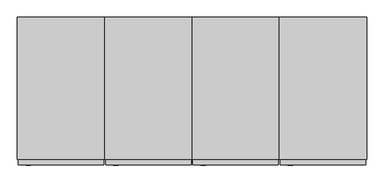
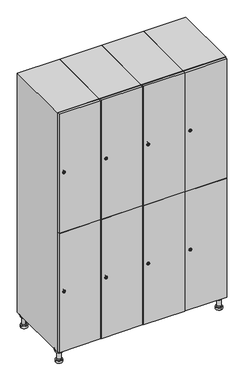
"""IFC4 building model written with IfcOpenShell, lengths in millimetres: furniture geometry."""

from ifc_helpers import new_model, si_unit, point, frame, frame_2d, origin, place, context, project, spatial, polyline, circle_curve, trimmed, segment, composite_curve, outline, extrude, faceted_brep, source, transform, mapped, element, save
from ifc_brep_helpers import plane_surface, cylinder_surface, revolved_surface, advanced_brep


def furniture_91e48fc3(model_context):
    return source(origin(), model_context, "Body", "SolidModel", [
        advanced_brep(
        [(970.0, -201.0, 22.0), (970.0, -201.5, 16.0), (970.0, -228.5, 16.0), (970.0, -229.0, 22.0), (956.0, -215.0, 22.0), (984.0, -215.0, 22.0), (970.0, -192.5, 16.0), (970.0, -237.5, 16.0), (970.0, -192.5, 0.0), (970.0, -237.5, 0.0), (984.0, -215.0, 78.0), (956.0, -215.0, 78.0), (995.0, -215.0, 78.0), (945.0, -215.0, 78.0), (1000.0, -215.0, 94.0), (940.0, -215.0, 94.0), (945.0, -215.0, 94.0), (995.0, -215.0, 94.0), (1000.0, -215.0, 100.0), (940.0, -215.0, 100.0)],
        [
            (0, 1),
            (1, 2, circle_curve(frame((970.0, -215.0, 16.0), z_axis=(0.0, 0.0, 1.0), x_axis=(0.0, -1.0, 0.0)), 13.5)),
            (2, 3),
            (3, 4, circle_curve(frame((970.0, -215.0, 22.0), z_axis=(0.0, 0.0, -1.0), x_axis=(0.0, -1.0, 0.0)), 14.0)),
            (4, 0, circle_curve(frame((970.0, -215.0, 22.0), z_axis=(0.0, 0.0, -1.0), x_axis=(0.0, -1.0, 0.0)), 14.0)),
            (0, 5, circle_curve(frame((970.0, -215.0, 22.0), z_axis=(0.0, 0.0, -1.0), x_axis=(0.0, 1.0, 0.0)), 14.0)),
            (5, 3, circle_curve(frame((970.0, -215.0, 22.0), z_axis=(0.0, 0.0, -1.0), x_axis=(0.0, 1.0, 0.0)), 14.0)),
            (2, 1, circle_curve(frame((970.0, -215.0, 16.0), z_axis=(0.0, 0.0, 1.0), x_axis=(0.0, 1.0, 0.0)), 13.5)),
            (6, 7, circle_curve(frame((970.0, -215.0, 16.0), z_axis=(0.0, 0.0, 1.0), x_axis=(0.0, -1.0, 0.0)), 22.5)),
            (7, 6, circle_curve(frame((970.0, -215.0, 16.0), z_axis=(0.0, 0.0, 1.0), x_axis=(0.0, -1.0, 0.0)), 22.5)),
            (8, 9, circle_curve(frame((970.0, -215.0, 0.0), z_axis=(0.0, 0.0, -1.0), x_axis=(0.0, -1.0, 0.0)), 22.5)),
            (9, 8, circle_curve(frame((970.0, -215.0, 0.0), z_axis=(0.0, 0.0, -1.0), x_axis=(0.0, -1.0, 0.0)), 22.5)),
            (6, 8),
            (9, 7),
            (5, 10),
            (10, 11, circle_curve(frame((970.0, -215.0, 78.0), z_axis=(0.0, 0.0, -1.0), x_axis=(-1.0, 0.0, 0.0)), 14.0)),
            (11, 4),
            (11, 10, circle_curve(frame((970.0, -215.0, 78.0), z_axis=(0.0, 0.0, -1.0), x_axis=(-1.0, 0.0, 0.0)), 14.0)),
            (12, 13, circle_curve(frame((970.0, -215.0, 78.0), z_axis=(0.0, 0.0, -1.0), x_axis=(-1.0, 0.0, 0.0)), 25.0)),
            (13, 12, circle_curve(frame((970.0, -215.0, 78.0), z_axis=(0.0, 0.0, -1.0), x_axis=(-1.0, 0.0, 0.0)), 25.0)),
            (14, 15, circle_curve(frame((970.0, -215.0, 94.0), z_axis=(0.0, 0.0, -1.0), x_axis=(-1.0, 0.0, 0.0)), 30.0)),
            (15, 14, circle_curve(frame((970.0, -215.0, 94.0), z_axis=(0.0, 0.0, -1.0), x_axis=(-1.0, 0.0, 0.0)), 30.0)),
            (16, 17, circle_curve(frame((970.0, -215.0, 94.0), z_axis=(0.0, 0.0, 1.0), x_axis=(-1.0, 0.0, 0.0)), 25.0)),
            (17, 16, circle_curve(frame((970.0, -215.0, 94.0), z_axis=(0.0, 0.0, 1.0), x_axis=(-1.0, 0.0, 0.0)), 25.0)),
            (18, 19, circle_curve(frame((970.0, -215.0, 100.0), z_axis=(0.0, 0.0, 1.0), x_axis=(-1.0, 0.0, 0.0)), 30.0)),
            (19, 18, circle_curve(frame((970.0, -215.0, 100.0), z_axis=(0.0, 0.0, 1.0), x_axis=(-1.0, 0.0, 0.0)), 30.0)),
            (14, 18),
            (19, 15),
            (12, 17),
            (16, 13),
        ],
        [
            revolved_surface(polyline([(970.0, -201.5, 16.0), (970.0, -201.0, 22.0)]), (970.0, -215.0, -146.0), (0.0, 0.0, 1.0)),
            plane_surface(frame((970.0, 0.0, 16.0), z_axis=(0.0, 0.0, 1.0), x_axis=(0.0, -1.0, 0.0))),
            plane_surface(frame((970.0, 0.0, 0.0), z_axis=(0.0, 0.0, -1.0), x_axis=(0.0, -1.0, 0.0))),
            cylinder_surface(frame((970.0, -215.0, 16.0), z_axis=(0.0, 0.0, 1.0), x_axis=(0.0, -1.0, 0.0)), 22.5),
            cylinder_surface(frame((970.0, -215.0, 22.0), z_axis=(0.0, 0.0, -1.0), x_axis=(-1.0, 0.0, 0.0)), 14.0),
            plane_surface(frame((970.0, 0.0, 78.0), z_axis=(0.0, 0.0, -1.0), x_axis=(0.0, -1.0, 0.0))),
            plane_surface(frame((970.0, 0.0, 94.0), z_axis=(0.0, 0.0, -1.0), x_axis=(0.0, -1.0, 0.0))),
            plane_surface(frame((970.0, 0.0, 100.0), z_axis=(0.0, 0.0, 1.0), x_axis=(0.0, -1.0, 0.0))),
            cylinder_surface(frame((970.0, -215.0, 94.0), z_axis=(0.0, 0.0, -1.0), x_axis=(-1.0, 0.0, 0.0)), 30.0),
            cylinder_surface(frame((970.0, -215.0, 78.0), z_axis=(0.0, 0.0, -1.0), x_axis=(-1.0, 0.0, 0.0)), 25.0),
        ],
        [
            (0, [[1, 2, 3, 4, 5]]),
            (0, [[-1, 6, 7, -3, 8]]),
            (1, [[9, 10], [-2, -8]]),
            (2, [[11, 12]]),
            (3, [[-9, 13, -12, 14]]),
            (3, [[-10, -14, -11, -13]]),
            (4, [[15, 16, 17, -4, -7]]),
            (4, [[-15, -6, -5, -17, 18]]),
            (5, [[19, 20], [-16, -18]]),
            (6, [[21, 22], [23, 24]]),
            (7, [[25, 26]]),
            (8, [[-21, 27, -26, 28]]),
            (8, [[-22, -28, -25, -27]]),
            (9, [[-19, 29, -23, 30]]),
            (9, [[-20, -30, -24, -29]]),
        ],
    ),
        advanced_brep(
        [(-170.0, -201.0, 22.0), (-170.0, -201.5, 16.0), (-170.0, -228.5, 16.0), (-170.0, -229.0, 22.0), (-184.0, -215.0, 22.0), (-156.0, -215.0, 22.0), (-147.5, -215.0, 0.0), (-192.5, -215.0, 0.0), (-147.5, -215.0, 16.0), (-192.5, -215.0, 16.0), (-156.0, -215.0, 78.0), (-184.0, -215.0, 78.0), (-145.0, -215.0, 78.0), (-195.0, -215.0, 78.0), (-140.0, -215.0, 94.0), (-200.0, -215.0, 94.0), (-195.0, -215.0, 94.0), (-145.0, -215.0, 94.0), (-140.0, -215.0, 100.0), (-200.0, -215.0, 100.0)],
        [
            (0, 1),
            (1, 2, circle_curve(frame((-170.0, -215.0, 16.0), z_axis=(0.0, 0.0, 1.0), x_axis=(0.0, -1.0, 0.0)), 13.5)),
            (2, 3),
            (3, 4, circle_curve(frame((-170.0, -215.0, 22.0), z_axis=(0.0, 0.0, -1.0), x_axis=(0.0, -1.0, 0.0)), 14.0)),
            (4, 0, circle_curve(frame((-170.0, -215.0, 22.0), z_axis=(0.0, 0.0, -1.0), x_axis=(0.0, -1.0, 0.0)), 14.0)),
            (0, 5, circle_curve(frame((-170.0, -215.0, 22.0), z_axis=(0.0, 0.0, -1.0), x_axis=(0.0, 1.0, 0.0)), 14.0)),
            (5, 3, circle_curve(frame((-170.0, -215.0, 22.0), z_axis=(0.0, 0.0, -1.0), x_axis=(0.0, 1.0, 0.0)), 14.0)),
            (2, 1, circle_curve(frame((-170.0, -215.0, 16.0), z_axis=(0.0, 0.0, 1.0), x_axis=(0.0, 1.0, 0.0)), 13.5)),
            (6, 7, circle_curve(frame((-170.0, -215.0, 0.0), z_axis=(0.0, 0.0, -1.0), x_axis=(-1.0, 0.0, 0.0)), 22.5)),
            (7, 6, circle_curve(frame((-170.0, -215.0, 0.0), z_axis=(0.0, 0.0, -1.0), x_axis=(-1.0, 0.0, 0.0)), 22.5)),
            (8, 9, circle_curve(frame((-170.0, -215.0, 16.0), z_axis=(0.0, 0.0, 1.0), x_axis=(-1.0, 0.0, 0.0)), 22.5)),
            (9, 8, circle_curve(frame((-170.0, -215.0, 16.0), z_axis=(0.0, 0.0, 1.0), x_axis=(-1.0, 0.0, 0.0)), 22.5)),
            (6, 8),
            (9, 7),
            (5, 10),
            (10, 11, circle_curve(frame((-170.0, -215.0, 78.0), z_axis=(0.0, 0.0, -1.0), x_axis=(-1.0, 0.0, 0.0)), 14.0)),
            (11, 4),
            (11, 10, circle_curve(frame((-170.0, -215.0, 78.0), z_axis=(0.0, 0.0, -1.0), x_axis=(-1.0, 0.0, 0.0)), 14.0)),
            (12, 13, circle_curve(frame((-170.0, -215.0, 78.0), z_axis=(0.0, 0.0, -1.0), x_axis=(-1.0, 0.0, 0.0)), 25.0)),
            (13, 12, circle_curve(frame((-170.0, -215.0, 78.0), z_axis=(0.0, 0.0, -1.0), x_axis=(-1.0, 0.0, 0.0)), 25.0)),
            (14, 15, circle_curve(frame((-170.0, -215.0, 94.0), z_axis=(0.0, 0.0, -1.0), x_axis=(-1.0, 0.0, 0.0)), 30.0)),
            (15, 14, circle_curve(frame((-170.0, -215.0, 94.0), z_axis=(0.0, 0.0, -1.0), x_axis=(-1.0, 0.0, 0.0)), 30.0)),
            (16, 17, circle_curve(frame((-170.0, -215.0, 94.0), z_axis=(0.0, 0.0, 1.0), x_axis=(-1.0, 0.0, 0.0)), 25.0)),
            (17, 16, circle_curve(frame((-170.0, -215.0, 94.0), z_axis=(0.0, 0.0, 1.0), x_axis=(-1.0, 0.0, 0.0)), 25.0)),
            (18, 19, circle_curve(frame((-170.0, -215.0, 100.0), z_axis=(0.0, 0.0, 1.0), x_axis=(-1.0, 0.0, 0.0)), 30.0)),
            (19, 18, circle_curve(frame((-170.0, -215.0, 100.0), z_axis=(0.0, 0.0, 1.0), x_axis=(-1.0, 0.0, 0.0)), 30.0)),
            (14, 18),
            (19, 15),
            (12, 17),
            (16, 13),
        ],
        [
            revolved_surface(polyline([(-170.0, -201.5, 16.0), (-170.0, -201.0, 22.0)]), (-170.0, -215.0, -146.0), (0.0, 0.0, 1.0)),
            plane_surface(frame((-170.0, 0.0, 0.0), z_axis=(0.0, 0.0, -1.0), x_axis=(0.0, -1.0, 0.0))),
            plane_surface(frame((-170.0, 0.0, 16.0), z_axis=(0.0, 0.0, 1.0), x_axis=(0.0, -1.0, 0.0))),
            cylinder_surface(frame((-170.0, -215.0, 0.0), z_axis=(0.0, 0.0, -1.0), x_axis=(-1.0, 0.0, 0.0)), 22.5),
            cylinder_surface(frame((-170.0, -215.0, 22.0), z_axis=(0.0, 0.0, -1.0), x_axis=(-1.0, 0.0, 0.0)), 14.0),
            plane_surface(frame((-170.0, 0.0, 78.0), z_axis=(0.0, 0.0, -1.0), x_axis=(0.0, -1.0, 0.0))),
            plane_surface(frame((-170.0, 0.0, 94.0), z_axis=(0.0, 0.0, -1.0), x_axis=(0.0, -1.0, 0.0))),
            plane_surface(frame((-170.0, 0.0, 100.0), z_axis=(0.0, 0.0, 1.0), x_axis=(0.0, -1.0, 0.0))),
            cylinder_surface(frame((-170.0, -215.0, 94.0), z_axis=(0.0, 0.0, -1.0), x_axis=(-1.0, 0.0, 0.0)), 30.0),
            cylinder_surface(frame((-170.0, -215.0, 78.0), z_axis=(0.0, 0.0, -1.0), x_axis=(-1.0, 0.0, 0.0)), 25.0),
        ],
        [
            (0, [[1, 2, 3, 4, 5]]),
            (0, [[-1, 6, 7, -3, 8]]),
            (1, [[9, 10]]),
            (2, [[11, 12], [-2, -8]]),
            (3, [[-9, 13, -12, 14]]),
            (3, [[-10, -14, -11, -13]]),
            (4, [[15, 16, 17, -4, -7]]),
            (4, [[-15, -6, -5, -17, 18]]),
            (5, [[19, 20], [-16, -18]]),
            (6, [[21, 22], [23, 24]]),
            (7, [[25, 26]]),
            (8, [[-21, 27, -26, 28]]),
            (8, [[-22, -28, -25, -27]]),
            (9, [[-19, 29, -23, 30]]),
            (9, [[-20, -30, -24, -29]]),
        ],
    ),
        advanced_brep(
        [(983.5, 215.0, 16.0), (984.0, 215.0, 22.0), (956.0, 215.0, 22.0), (956.5, 215.0, 16.0), (992.5, 215.0, 0.0), (947.5, 215.0, 0.0), (992.5, 215.0, 16.0), (947.5, 215.0, 16.0), (984.0, 215.0, 78.0), (956.0, 215.0, 78.0), (995.0, 215.0, 78.0), (945.0, 215.0, 78.0), (1000.0, 215.0, 94.0), (940.0, 215.0, 94.0), (945.0, 215.0, 94.0), (995.0, 215.0, 94.0), (1000.0, 215.0, 100.0), (940.0, 215.0, 100.0)],
        [
            (0, 1),
            (1, 2, circle_curve(frame((970.0, 215.0, 22.0), z_axis=(0.0, 0.0, -1.0), x_axis=(-1.0, 0.0, 0.0)), 14.0)),
            (2, 3),
            (3, 0, circle_curve(frame((970.0, 215.0, 16.0), z_axis=(0.0, 0.0, 1.0), x_axis=(-1.0, 0.0, 0.0)), 13.5)),
            (0, 3, circle_curve(frame((970.0, 215.0, 16.0), z_axis=(0.0, 0.0, 1.0), x_axis=(1.0, 0.0, 0.0)), 13.5)),
            (2, 1, circle_curve(frame((970.0, 215.0, 22.0), z_axis=(0.0, 0.0, -1.0), x_axis=(1.0, 0.0, 0.0)), 14.0)),
            (4, 5, circle_curve(frame((970.0, 215.0, 0.0), z_axis=(0.0, 0.0, -1.0), x_axis=(-1.0, 0.0, 0.0)), 22.5)),
            (5, 4, circle_curve(frame((970.0, 215.0, 0.0), z_axis=(0.0, 0.0, -1.0), x_axis=(-1.0, 0.0, 0.0)), 22.5)),
            (6, 7, circle_curve(frame((970.0, 215.0, 16.0), z_axis=(0.0, 0.0, 1.0), x_axis=(-1.0, 0.0, 0.0)), 22.5)),
            (7, 6, circle_curve(frame((970.0, 215.0, 16.0), z_axis=(0.0, 0.0, 1.0), x_axis=(-1.0, 0.0, 0.0)), 22.5)),
            (4, 6),
            (7, 5),
            (1, 8),
            (8, 9, circle_curve(frame((970.0, 215.0, 78.0), z_axis=(0.0, 0.0, -1.0), x_axis=(-1.0, 0.0, 0.0)), 14.0)),
            (9, 2),
            (9, 8, circle_curve(frame((970.0, 215.0, 78.0), z_axis=(0.0, 0.0, -1.0), x_axis=(-1.0, 0.0, 0.0)), 14.0)),
            (10, 11, circle_curve(frame((970.0, 215.0, 78.0), z_axis=(0.0, 0.0, -1.0), x_axis=(-1.0, 0.0, 0.0)), 25.0)),
            (11, 10, circle_curve(frame((970.0, 215.0, 78.0), z_axis=(0.0, 0.0, -1.0), x_axis=(-1.0, 0.0, 0.0)), 25.0)),
            (12, 13, circle_curve(frame((970.0, 215.0, 94.0), z_axis=(0.0, 0.0, -1.0), x_axis=(-1.0, 0.0, 0.0)), 30.0)),
            (13, 12, circle_curve(frame((970.0, 215.0, 94.0), z_axis=(0.0, 0.0, -1.0), x_axis=(-1.0, 0.0, 0.0)), 30.0)),
            (14, 15, circle_curve(frame((970.0, 215.0, 94.0), z_axis=(0.0, 0.0, 1.0), x_axis=(-1.0, 0.0, 0.0)), 25.0)),
            (15, 14, circle_curve(frame((970.0, 215.0, 94.0), z_axis=(0.0, 0.0, 1.0), x_axis=(-1.0, 0.0, 0.0)), 25.0)),
            (16, 17, circle_curve(frame((970.0, 215.0, 100.0), z_axis=(0.0, 0.0, 1.0), x_axis=(-1.0, 0.0, 0.0)), 30.0)),
            (17, 16, circle_curve(frame((970.0, 215.0, 100.0), z_axis=(0.0, 0.0, 1.0), x_axis=(-1.0, 0.0, 0.0)), 30.0)),
            (12, 16),
            (17, 13),
            (10, 15),
            (14, 11),
        ],
        [
            revolved_surface(polyline([(983.5, 215.0, 16.0), (984.0, 215.0, 22.0)]), (970.0, 215.0, -146.0), (0.0, 0.0, 1.0)),
            plane_surface(frame((970.0, 0.0, 0.0), z_axis=(0.0, 0.0, -1.0), x_axis=(0.0, -1.0, 0.0))),
            plane_surface(frame((970.0, 0.0, 16.0), z_axis=(0.0, 0.0, 1.0), x_axis=(0.0, -1.0, 0.0))),
            cylinder_surface(frame((970.0, 215.0, 0.0), z_axis=(0.0, 0.0, -1.0), x_axis=(-1.0, 0.0, 0.0)), 22.5),
            cylinder_surface(frame((970.0, 215.0, 22.0), z_axis=(0.0, 0.0, -1.0), x_axis=(-1.0, 0.0, 0.0)), 14.0),
            plane_surface(frame((970.0, 0.0, 78.0), z_axis=(0.0, 0.0, -1.0), x_axis=(0.0, -1.0, 0.0))),
            plane_surface(frame((970.0, 0.0, 94.0), z_axis=(0.0, 0.0, -1.0), x_axis=(0.0, -1.0, 0.0))),
            plane_surface(frame((970.0, 0.0, 100.0), z_axis=(0.0, 0.0, 1.0), x_axis=(0.0, -1.0, 0.0))),
            cylinder_surface(frame((970.0, 215.0, 94.0), z_axis=(0.0, 0.0, -1.0), x_axis=(-1.0, 0.0, 0.0)), 30.0),
            cylinder_surface(frame((970.0, 215.0, 78.0), z_axis=(0.0, 0.0, -1.0), x_axis=(-1.0, 0.0, 0.0)), 25.0),
        ],
        [
            (0, [[1, 2, 3, 4]]),
            (0, [[-1, 5, -3, 6]]),
            (1, [[7, 8]]),
            (2, [[9, 10], [-4, -5]]),
            (3, [[-7, 11, -10, 12]]),
            (3, [[-8, -12, -9, -11]]),
            (4, [[13, 14, 15, -2]]),
            (4, [[-13, -6, -15, 16]]),
            (5, [[17, 18], [-14, -16]]),
            (6, [[19, 20], [21, 22]]),
            (7, [[23, 24]]),
            (8, [[-19, 25, -24, 26]]),
            (8, [[-20, -26, -23, -25]]),
            (9, [[-17, 27, -21, 28]]),
            (9, [[-18, -28, -22, -27]]),
        ],
    ),
        advanced_brep(
        [(-156.5, 215.0, 16.0), (-156.0, 215.0, 22.0), (-170.0, 201.0, 22.0), (-184.0, 215.0, 22.0), (-183.5, 215.0, 16.0), (-170.0, 229.0, 22.0), (-147.5, 215.0, 0.0), (-192.5, 215.0, 0.0), (-147.5, 215.0, 16.0), (-192.5, 215.0, 16.0), (-170.0, 229.0, 78.0), (-170.0, 201.0, 78.0), (-145.0, 215.0, 78.0), (-195.0, 215.0, 78.0), (-140.0, 215.0, 94.0), (-200.0, 215.0, 94.0), (-195.0, 215.0, 94.0), (-145.0, 215.0, 94.0), (-140.0, 215.0, 100.0), (-200.0, 215.0, 100.0)],
        [
            (0, 1),
            (1, 2, circle_curve(frame((-170.0, 215.0, 22.0), z_axis=(0.0, 0.0, -1.0), x_axis=(-1.0, 0.0, 0.0)), 14.0)),
            (2, 3, circle_curve(frame((-170.0, 215.0, 22.0), z_axis=(0.0, 0.0, -1.0), x_axis=(-1.0, 0.0, 0.0)), 14.0)),
            (3, 4),
            (4, 0, circle_curve(frame((-170.0, 215.0, 16.0), z_axis=(0.0, 0.0, 1.0), x_axis=(-1.0, 0.0, 0.0)), 13.5)),
            (0, 4, circle_curve(frame((-170.0, 215.0, 16.0), z_axis=(0.0, 0.0, 1.0), x_axis=(1.0, 0.0, 0.0)), 13.5)),
            (3, 5, circle_curve(frame((-170.0, 215.0, 22.0), z_axis=(0.0, 0.0, -1.0), x_axis=(1.0, 0.0, 0.0)), 14.0)),
            (5, 1, circle_curve(frame((-170.0, 215.0, 22.0), z_axis=(0.0, 0.0, -1.0), x_axis=(1.0, 0.0, 0.0)), 14.0)),
            (6, 7, circle_curve(frame((-170.0, 215.0, 0.0), z_axis=(0.0, 0.0, -1.0), x_axis=(-1.0, 0.0, 0.0)), 22.5)),
            (7, 6, circle_curve(frame((-170.0, 215.0, 0.0), z_axis=(0.0, 0.0, -1.0), x_axis=(-1.0, 0.0, 0.0)), 22.5)),
            (8, 9, circle_curve(frame((-170.0, 215.0, 16.0), z_axis=(0.0, 0.0, 1.0), x_axis=(-1.0, 0.0, 0.0)), 22.5)),
            (9, 8, circle_curve(frame((-170.0, 215.0, 16.0), z_axis=(0.0, 0.0, 1.0), x_axis=(-1.0, 0.0, 0.0)), 22.5)),
            (6, 8),
            (9, 7),
            (10, 5),
            (2, 11),
            (11, 10, circle_curve(frame((-170.0, 215.0, 78.0), z_axis=(0.0, 0.0, -1.0), x_axis=(0.0, -1.0, 0.0)), 14.0)),
            (10, 11, circle_curve(frame((-170.0, 215.0, 78.0), z_axis=(0.0, 0.0, -1.0), x_axis=(0.0, -1.0, 0.0)), 14.0)),
            (12, 13, circle_curve(frame((-170.0, 215.0, 78.0), z_axis=(0.0, 0.0, -1.0), x_axis=(-1.0, 0.0, 0.0)), 25.0)),
            (13, 12, circle_curve(frame((-170.0, 215.0, 78.0), z_axis=(0.0, 0.0, -1.0), x_axis=(-1.0, 0.0, 0.0)), 25.0)),
            (14, 15, circle_curve(frame((-170.0, 215.0, 94.0), z_axis=(0.0, 0.0, -1.0), x_axis=(-1.0, 0.0, 0.0)), 30.0)),
            (15, 14, circle_curve(frame((-170.0, 215.0, 94.0), z_axis=(0.0, 0.0, -1.0), x_axis=(-1.0, 0.0, 0.0)), 30.0)),
            (16, 17, circle_curve(frame((-170.0, 215.0, 94.0), z_axis=(0.0, 0.0, 1.0), x_axis=(-1.0, 0.0, 0.0)), 25.0)),
            (17, 16, circle_curve(frame((-170.0, 215.0, 94.0), z_axis=(0.0, 0.0, 1.0), x_axis=(-1.0, 0.0, 0.0)), 25.0)),
            (18, 19, circle_curve(frame((-170.0, 215.0, 100.0), z_axis=(0.0, 0.0, 1.0), x_axis=(-1.0, 0.0, 0.0)), 30.0)),
            (19, 18, circle_curve(frame((-170.0, 215.0, 100.0), z_axis=(0.0, 0.0, 1.0), x_axis=(-1.0, 0.0, 0.0)), 30.0)),
            (14, 18),
            (19, 15),
            (12, 17),
            (16, 13),
        ],
        [
            revolved_surface(polyline([(-156.5, 215.0, 16.0), (-156.0, 215.0, 22.0)]), (-170.0, 215.0, -146.0), (0.0, 0.0, 1.0)),
            plane_surface(frame((-170.0, 0.0, 0.0), z_axis=(0.0, 0.0, -1.0), x_axis=(0.0, -1.0, 0.0))),
            plane_surface(frame((-170.0, 0.0, 16.0), z_axis=(0.0, 0.0, 1.0), x_axis=(0.0, -1.0, 0.0))),
            cylinder_surface(frame((-170.0, 215.0, 0.0), z_axis=(0.0, 0.0, -1.0), x_axis=(-1.0, 0.0, 0.0)), 22.5),
            cylinder_surface(frame((-170.0, 215.0, 78.0), z_axis=(0.0, 0.0, 1.0), x_axis=(0.0, -1.0, 0.0)), 14.0),
            plane_surface(frame((-170.0, 0.0, 78.0), z_axis=(0.0, 0.0, -1.0), x_axis=(0.0, -1.0, 0.0))),
            plane_surface(frame((-170.0, 0.0, 94.0), z_axis=(0.0, 0.0, -1.0), x_axis=(0.0, -1.0, 0.0))),
            plane_surface(frame((-170.0, 0.0, 100.0), z_axis=(0.0, 0.0, 1.0), x_axis=(0.0, -1.0, 0.0))),
            cylinder_surface(frame((-170.0, 215.0, 94.0), z_axis=(0.0, 0.0, -1.0), x_axis=(-1.0, 0.0, 0.0)), 30.0),
            cylinder_surface(frame((-170.0, 215.0, 78.0), z_axis=(0.0, 0.0, -1.0), x_axis=(-1.0, 0.0, 0.0)), 25.0),
        ],
        [
            (0, [[1, 2, 3, 4, 5]]),
            (0, [[-1, 6, -4, 7, 8]]),
            (1, [[9, 10]]),
            (2, [[11, 12], [-5, -6]]),
            (3, [[-9, 13, -12, 14]]),
            (3, [[-10, -14, -11, -13]]),
            (4, [[15, -7, -3, 16, 17]]),
            (4, [[-15, 18, -16, -2, -8]]),
            (5, [[19, 20], [-17, -18]]),
            (6, [[21, 22], [23, 24]]),
            (7, [[25, 26]]),
            (8, [[-21, 27, -26, 28]]),
            (8, [[-22, -28, -25, -27]]),
            (9, [[-19, 29, -23, 30]]),
            (9, [[-20, -30, -24, -29]]),
        ],
    ),
        extrude(outline(composite_curve([segment(trimmed(circle_curve(frame_2d((551.5, 711.2010534)), 7.0), [point((558.5, 711.2010534))], [point((544.5, 711.2010534))], False, "CARTESIAN"), True, "CONTINUOUS"), segment(polyline([(544.5, 711.2010534), (544.5, 739.2010534)]), True, "CONTINUOUS"), segment(trimmed(circle_curve(frame_2d((551.5, 739.2010534)), 7.0), [point((544.5, 739.2010534))], [point((558.5, 739.2010534))], False, "CARTESIAN"), True, "CONTINUOUS"), segment(polyline([(558.5, 739.2010534), (558.5, 711.2010534)]), True, "CONTINUOUS")], self_intersect=False)), frame((0.0, -245.0, 0.0), z_axis=(0.0, 1.0, 0.0), x_axis=(0.0, 0.0, 1.0)), (0.0, 0.0, 1.0), 2.0),
        advanced_brep(
        [(746.5, -265.2, 551.5), (729.5, -265.2, 551.5), (733.0, -265.2, 550.25), (733.0, -265.2, 552.75), (743.0, -265.2, 552.75), (743.0, -265.2, 550.25), (748.5, -263.0, 551.5), (727.5, -263.0, 551.5), (733.0, -263.0, 552.75), (733.0, -263.0, 550.25), (743.0, -263.0, 550.25), (743.0, -263.0, 552.75)],
        [
            (0, 1, circle_curve(frame((738.0, -265.2, 551.5), z_axis=(0.0, -1.0, 0.0), x_axis=(1.0, 0.0, 0.0)), 8.5)),
            (1, 0, circle_curve(frame((738.0, -265.2, 551.5), z_axis=(0.0, -1.0, 0.0), x_axis=(-1.0, 0.0, 0.0)), 8.5)),
            (2, 3),
            (3, 4),
            (4, 5),
            (5, 2),
            (6, 7, circle_curve(frame((738.0, -263.0, 551.5), z_axis=(0.0, 1.0, 0.0), x_axis=(-1.0, 0.0, 0.0)), 10.5)),
            (7, 6, circle_curve(frame((738.0, -263.0, 551.5), z_axis=(0.0, 1.0, 0.0), x_axis=(1.0, 0.0, 0.0)), 10.5)),
            (8, 9),
            (9, 10),
            (10, 11),
            (11, 8),
            (0, 6),
            (7, 1),
            (8, 3),
            (2, 9),
            (11, 4),
            (10, 5),
        ],
        [
            plane_surface(frame((738.0, -265.2, 551.5), z_axis=(0.0, -1.0, 0.0), x_axis=(0.0, 0.0, 1.0))),
            plane_surface(frame((738.0, -263.0, 551.5), z_axis=(0.0, 1.0, 0.0), x_axis=(0.0, 0.0, 1.0))),
            revolved_surface(polyline([(746.5, -265.2, 551.5), (748.5, -263.0, 551.5)]), (738.0, -274.55, 551.5), (0.0, 1.0, 0.0)),
            revolved_surface(polyline([(729.5, -265.2, 551.5), (727.5, -263.0, 551.5)]), (738.0, -274.55, 551.5), (0.0, 1.0, 0.0)),
            plane_surface(frame((733.0, -263.0, 550.25), z_axis=(1.0, 0.0, 0.0), x_axis=(0.0, -1.0, 0.0))),
            plane_surface(frame((733.0, -263.0, 552.75), z_axis=(0.0, 0.0, -1.0), x_axis=(0.0, -1.0, 0.0))),
            plane_surface(frame((743.0, -263.0, 552.75), z_axis=(-1.0, 0.0, 0.0), x_axis=(0.0, -1.0, 0.0))),
            plane_surface(frame((743.0, -263.0, 550.25), z_axis=(0.0, 0.0, 1.0), x_axis=(0.0, -1.0, 0.0))),
        ],
        [
            (0, [[1, 2], [3, 4, 5, 6]]),
            (1, [[7, 8], [9, 10, 11, 12]]),
            (2, [[-1, 13, -8, 14]]),
            (3, [[-2, -14, -7, -13]]),
            (4, [[15, -3, 16, -9]]),
            (5, [[-15, -12, 17, -4]]),
            (6, [[-17, -11, 18, -5]]),
            (7, [[-16, -6, -18, -10]]),
        ],
    ),
        extrude(outline(composite_curve([segment(trimmed(circle_curve(frame_2d((1448.5, 711.2010534)), 7.0), [point((1455.5, 711.2010534))], [point((1441.5, 711.2010534))], False, "CARTESIAN"), True, "CONTINUOUS"), segment(polyline([(1441.5, 711.2010534), (1441.5, 739.2010534)]), True, "CONTINUOUS"), segment(trimmed(circle_curve(frame_2d((1448.5, 739.2010534)), 7.0), [point((1441.5, 739.2010534))], [point((1455.5, 739.2010534))], False, "CARTESIAN"), True, "CONTINUOUS"), segment(polyline([(1455.5, 739.2010534), (1455.5, 711.2010534)]), True, "CONTINUOUS")], self_intersect=False)), frame((0.0, -245.0, 0.0), z_axis=(0.0, 1.0, 0.0), x_axis=(0.0, 0.0, 1.0)), (0.0, 0.0, 1.0), 2.0),
        advanced_brep(
        [(746.5, -265.2, 1448.5), (729.5, -265.2, 1448.5), (733.0, -265.2, 1447.25), (733.0, -265.2, 1449.75), (743.0, -265.2, 1449.75), (743.0, -265.2, 1447.25), (748.5, -263.0, 1448.5), (727.5, -263.0, 1448.5), (733.0, -263.0, 1449.75), (733.0, -263.0, 1447.25), (743.0, -263.0, 1447.25), (743.0, -263.0, 1449.75)],
        [
            (0, 1, circle_curve(frame((738.0, -265.2, 1448.5), z_axis=(0.0, -1.0, 0.0), x_axis=(1.0, 0.0, 0.0)), 8.5)),
            (1, 0, circle_curve(frame((738.0, -265.2, 1448.5), z_axis=(0.0, -1.0, 0.0), x_axis=(-1.0, 0.0, 0.0)), 8.5)),
            (2, 3),
            (3, 4),
            (4, 5),
            (5, 2),
            (6, 7, circle_curve(frame((738.0, -263.0, 1448.5), z_axis=(0.0, 1.0, 0.0), x_axis=(-1.0, 0.0, 0.0)), 10.5)),
            (7, 6, circle_curve(frame((738.0, -263.0, 1448.5), z_axis=(0.0, 1.0, 0.0), x_axis=(1.0, 0.0, 0.0)), 10.5)),
            (8, 9),
            (9, 10),
            (10, 11),
            (11, 8),
            (0, 6),
            (7, 1),
            (8, 3),
            (2, 9),
            (11, 4),
            (10, 5),
        ],
        [
            plane_surface(frame((738.0, -265.2, 1448.5), z_axis=(0.0, -1.0, 0.0), x_axis=(0.0, 0.0, 1.0))),
            plane_surface(frame((738.0, -263.0, 1448.5), z_axis=(0.0, 1.0, 0.0), x_axis=(0.0, 0.0, 1.0))),
            revolved_surface(polyline([(746.5, -265.2, 1448.5), (748.5, -263.0, 1448.5)]), (738.0, -274.55, 1448.5), (0.0, 1.0, 0.0)),
            revolved_surface(polyline([(729.5, -265.2, 1448.5), (727.5, -263.0, 1448.5)]), (738.0, -274.55, 1448.5), (0.0, 1.0, 0.0)),
            plane_surface(frame((733.0, -263.0, 1447.25), z_axis=(1.0, 0.0, 0.0), x_axis=(0.0, -1.0, 0.0))),
            plane_surface(frame((733.0, -263.0, 1449.75), z_axis=(0.0, 0.0, -1.0), x_axis=(0.0, -1.0, 0.0))),
            plane_surface(frame((743.0, -263.0, 1449.75), z_axis=(-1.0, 0.0, 0.0), x_axis=(0.0, -1.0, 0.0))),
            plane_surface(frame((743.0, -263.0, 1447.25), z_axis=(0.0, 0.0, 1.0), x_axis=(0.0, -1.0, 0.0))),
        ],
        [
            (0, [[1, 2], [3, 4, 5, 6]]),
            (1, [[7, 8], [9, 10, 11, 12]]),
            (2, [[-1, 13, -8, 14]]),
            (3, [[-2, -14, -7, -13]]),
            (4, [[15, -3, 16, -9]]),
            (5, [[-15, -12, 17, -4]]),
            (6, [[-17, -11, 18, -5]]),
            (7, [[-16, -6, -18, -10]]),
        ],
    ),
        extrude(outline(polyline([(703.0, -263.0), (703.0, -245.0), (997.0, -245.0), (997.0, -263.0), (703.0, -263.0)])), frame((0.0, 0.0, 103.0), z_axis=(0.0, 0.0, 1.0), x_axis=(1.0, 0.0, 0.0)), (0.0, 0.0, 1.0), 896.5),
        extrude(outline(polyline([(997.0, -245.0), (997.0, -263.0), (703.0, -263.0), (703.0, -245.0), (997.0, -245.0)])), frame((0.0, 0.0, 1000.5), z_axis=(0.0, 0.0, 1.0), x_axis=(1.0, 0.0, 0.0)), (0.0, 0.0, 1.0), 896.5),
        extrude(outline(polyline([(982.0, 227.0), (982.0, -227.0), (718.0, -227.0), (718.0, 227.0), (982.0, 227.0)])), frame((0.0, 0.0, 991.0), z_axis=(0.0, 0.0, 1.0), x_axis=(1.0, 0.0, 0.0)), (0.0, 0.0, 1.0), 18.0),
        faceted_brep([(1000.0, -245.0, 100.0), (1000.0, -245.0, 1900.0), (700.0, -245.0, 1900.0), (700.0, -245.0, 100.0), (982.0, -245.0, 1882.0), (982.0, -245.0, 118.0), (718.0, -245.0, 118.0), (718.0, -245.0, 1882.0), (1000.0, 245.0, 100.0), (700.0, 245.0, 100.0), (1000.0, 245.0, 1900.0), (700.0, 245.0, 1900.0), (982.0, 227.0, 1882.0), (982.0, 227.0, 118.0), (700.0, 245.0, 1882.0), (718.0, 227.0, 1882.0), (718.0, 227.0, 118.0)], [[[0, 1, 2, 3], [4, 5, 6, 7]], [[8, 0, 3, 9]], [[1, 0, 8, 10]], [[1, 10, 11, 2]], [[4, 12, 13, 5]], [[9, 3, 2, 11, 14]], [[10, 8, 9, 14, 11]], [[12, 15, 16, 13]], [[15, 7, 6, 16]], [[4, 7, 15, 12]], [[6, 5, 13, 16]]]),
        extrude(outline(composite_curve([segment(trimmed(circle_curve(frame_2d((551.5, 411.2010534)), 7.0), [point((558.5, 411.2010534))], [point((544.5, 411.2010534))], False, "CARTESIAN"), True, "CONTINUOUS"), segment(polyline([(544.5, 411.2010534), (544.5, 439.2010534)]), True, "CONTINUOUS"), segment(trimmed(circle_curve(frame_2d((551.5, 439.2010534)), 7.0), [point((544.5, 439.2010534))], [point((558.5, 439.2010534))], False, "CARTESIAN"), True, "CONTINUOUS"), segment(polyline([(558.5, 439.2010534), (558.5, 411.2010534)]), True, "CONTINUOUS")], self_intersect=False)), frame((0.0, -245.0, 0.0), z_axis=(0.0, 1.0, 0.0), x_axis=(0.0, 0.0, 1.0)), (0.0, 0.0, 1.0), 2.0),
        advanced_brep(
        [(446.5, -265.2, 551.5), (429.5, -265.2, 551.5), (433.0, -265.2, 550.25), (433.0, -265.2, 552.75), (443.0, -265.2, 552.75), (443.0, -265.2, 550.25), (448.5, -263.0, 551.5), (427.5, -263.0, 551.5), (433.0, -263.0, 552.75), (433.0, -263.0, 550.25), (443.0, -263.0, 550.25), (443.0, -263.0, 552.75)],
        [
            (0, 1, circle_curve(frame((438.0, -265.2, 551.5), z_axis=(0.0, -1.0, 0.0), x_axis=(1.0, 0.0, 0.0)), 8.5)),
            (1, 0, circle_curve(frame((438.0, -265.2, 551.5), z_axis=(0.0, -1.0, 0.0), x_axis=(-1.0, 0.0, 0.0)), 8.5)),
            (2, 3),
            (3, 4),
            (4, 5),
            (5, 2),
            (6, 7, circle_curve(frame((438.0, -263.0, 551.5), z_axis=(0.0, 1.0, 0.0), x_axis=(-1.0, 0.0, 0.0)), 10.5)),
            (7, 6, circle_curve(frame((438.0, -263.0, 551.5), z_axis=(0.0, 1.0, 0.0), x_axis=(1.0, 0.0, 0.0)), 10.5)),
            (8, 9),
            (9, 10),
            (10, 11),
            (11, 8),
            (0, 6),
            (7, 1),
            (8, 3),
            (2, 9),
            (11, 4),
            (10, 5),
        ],
        [
            plane_surface(frame((438.0, -265.2, 551.5), z_axis=(0.0, -1.0, 0.0), x_axis=(0.0, 0.0, 1.0))),
            plane_surface(frame((438.0, -263.0, 551.5), z_axis=(0.0, 1.0, 0.0), x_axis=(0.0, 0.0, 1.0))),
            revolved_surface(polyline([(446.5, -265.2, 551.5), (448.5, -263.0, 551.5)]), (438.0, -274.55, 551.5), (0.0, 1.0, 0.0)),
            revolved_surface(polyline([(429.5, -265.2, 551.5), (427.5, -263.0, 551.5)]), (438.0, -274.55, 551.5), (0.0, 1.0, 0.0)),
            plane_surface(frame((433.0, -263.0, 550.25), z_axis=(1.0, 0.0, 0.0), x_axis=(0.0, -1.0, 0.0))),
            plane_surface(frame((433.0, -263.0, 552.75), z_axis=(0.0, 0.0, -1.0), x_axis=(0.0, -1.0, 0.0))),
            plane_surface(frame((443.0, -263.0, 552.75), z_axis=(-1.0, 0.0, 0.0), x_axis=(0.0, -1.0, 0.0))),
            plane_surface(frame((443.0, -263.0, 550.25), z_axis=(0.0, 0.0, 1.0), x_axis=(0.0, -1.0, 0.0))),
        ],
        [
            (0, [[1, 2], [3, 4, 5, 6]]),
            (1, [[7, 8], [9, 10, 11, 12]]),
            (2, [[-1, 13, -8, 14]]),
            (3, [[-2, -14, -7, -13]]),
            (4, [[15, -3, 16, -9]]),
            (5, [[-15, -12, 17, -4]]),
            (6, [[-17, -11, 18, -5]]),
            (7, [[-16, -6, -18, -10]]),
        ],
    ),
        extrude(outline(composite_curve([segment(trimmed(circle_curve(frame_2d((1448.5, 411.2010534)), 7.0), [point((1455.5, 411.2010534))], [point((1441.5, 411.2010534))], False, "CARTESIAN"), True, "CONTINUOUS"), segment(polyline([(1441.5, 411.2010534), (1441.5, 439.2010534)]), True, "CONTINUOUS"), segment(trimmed(circle_curve(frame_2d((1448.5, 439.2010534)), 7.0), [point((1441.5, 439.2010534))], [point((1455.5, 439.2010534))], False, "CARTESIAN"), True, "CONTINUOUS"), segment(polyline([(1455.5, 439.2010534), (1455.5, 411.2010534)]), True, "CONTINUOUS")], self_intersect=False)), frame((0.0, -245.0, 0.0), z_axis=(0.0, 1.0, 0.0), x_axis=(0.0, 0.0, 1.0)), (0.0, 0.0, 1.0), 2.0),
        advanced_brep(
        [(446.5, -265.2, 1448.5), (429.5, -265.2, 1448.5), (433.0, -265.2, 1447.25), (433.0, -265.2, 1449.75), (443.0, -265.2, 1449.75), (443.0, -265.2, 1447.25), (448.5, -263.0, 1448.5), (427.5, -263.0, 1448.5), (433.0, -263.0, 1449.75), (433.0, -263.0, 1447.25), (443.0, -263.0, 1447.25), (443.0, -263.0, 1449.75)],
        [
            (0, 1, circle_curve(frame((438.0, -265.2, 1448.5), z_axis=(0.0, -1.0, 0.0), x_axis=(1.0, 0.0, 0.0)), 8.5)),
            (1, 0, circle_curve(frame((438.0, -265.2, 1448.5), z_axis=(0.0, -1.0, 0.0), x_axis=(-1.0, 0.0, 0.0)), 8.5)),
            (2, 3),
            (3, 4),
            (4, 5),
            (5, 2),
            (6, 7, circle_curve(frame((438.0, -263.0, 1448.5), z_axis=(0.0, 1.0, 0.0), x_axis=(-1.0, 0.0, 0.0)), 10.5)),
            (7, 6, circle_curve(frame((438.0, -263.0, 1448.5), z_axis=(0.0, 1.0, 0.0), x_axis=(1.0, 0.0, 0.0)), 10.5)),
            (8, 9),
            (9, 10),
            (10, 11),
            (11, 8),
            (0, 6),
            (7, 1),
            (8, 3),
            (2, 9),
            (11, 4),
            (10, 5),
        ],
        [
            plane_surface(frame((438.0, -265.2, 1448.5), z_axis=(0.0, -1.0, 0.0), x_axis=(0.0, 0.0, 1.0))),
            plane_surface(frame((438.0, -263.0, 1448.5), z_axis=(0.0, 1.0, 0.0), x_axis=(0.0, 0.0, 1.0))),
            revolved_surface(polyline([(446.5, -265.2, 1448.5), (448.5, -263.0, 1448.5)]), (438.0, -274.55, 1448.5), (0.0, 1.0, 0.0)),
            revolved_surface(polyline([(429.5, -265.2, 1448.5), (427.5, -263.0, 1448.5)]), (438.0, -274.55, 1448.5), (0.0, 1.0, 0.0)),
            plane_surface(frame((433.0, -263.0, 1447.25), z_axis=(1.0, 0.0, 0.0), x_axis=(0.0, -1.0, 0.0))),
            plane_surface(frame((433.0, -263.0, 1449.75), z_axis=(0.0, 0.0, -1.0), x_axis=(0.0, -1.0, 0.0))),
            plane_surface(frame((443.0, -263.0, 1449.75), z_axis=(-1.0, 0.0, 0.0), x_axis=(0.0, -1.0, 0.0))),
            plane_surface(frame((443.0, -263.0, 1447.25), z_axis=(0.0, 0.0, 1.0), x_axis=(0.0, -1.0, 0.0))),
        ],
        [
            (0, [[1, 2], [3, 4, 5, 6]]),
            (1, [[7, 8], [9, 10, 11, 12]]),
            (2, [[-1, 13, -8, 14]]),
            (3, [[-2, -14, -7, -13]]),
            (4, [[15, -3, 16, -9]]),
            (5, [[-15, -12, 17, -4]]),
            (6, [[-17, -11, 18, -5]]),
            (7, [[-16, -6, -18, -10]]),
        ],
    ),
        extrude(outline(polyline([(403.0, -263.0), (403.0, -245.0), (697.0, -245.0), (697.0, -263.0), (403.0, -263.0)])), frame((0.0, 0.0, 103.0), z_axis=(0.0, 0.0, 1.0), x_axis=(1.0, 0.0, 0.0)), (0.0, 0.0, 1.0), 896.5),
        extrude(outline(polyline([(697.0, -245.0), (697.0, -263.0), (403.0, -263.0), (403.0, -245.0), (697.0, -245.0)])), frame((0.0, 0.0, 1000.5), z_axis=(0.0, 0.0, 1.0), x_axis=(1.0, 0.0, 0.0)), (0.0, 0.0, 1.0), 896.5),
        extrude(outline(polyline([(682.0, 227.0), (682.0, -227.0), (418.0, -227.0), (418.0, 227.0), (682.0, 227.0)])), frame((0.0, 0.0, 991.0), z_axis=(0.0, 0.0, 1.0), x_axis=(1.0, 0.0, 0.0)), (0.0, 0.0, 1.0), 18.0),
        faceted_brep([(700.0, -245.0, 100.0), (700.0, -245.0, 1900.0), (400.0, -245.0, 1900.0), (400.0, -245.0, 100.0), (682.0, -245.0, 1882.0), (682.0, -245.0, 118.0), (418.0, -245.0, 118.0), (418.0, -245.0, 1882.0), (700.0, 245.0, 100.0), (400.0, 245.0, 100.0), (700.0, 245.0, 1900.0), (400.0, 245.0, 1900.0), (682.0, 227.0, 1882.0), (682.0, 227.0, 118.0), (400.0, 245.0, 1882.0), (418.0, 227.0, 1882.0), (418.0, 227.0, 118.0)], [[[0, 1, 2, 3], [4, 5, 6, 7]], [[8, 0, 3, 9]], [[1, 0, 8, 10]], [[1, 10, 11, 2]], [[4, 12, 13, 5]], [[9, 3, 2, 11, 14]], [[10, 8, 9, 14, 11]], [[12, 15, 16, 13]], [[15, 7, 6, 16]], [[4, 7, 15, 12]], [[6, 5, 13, 16]]]),
        extrude(outline(composite_curve([segment(trimmed(circle_curve(frame_2d((551.5, 111.2010534)), 7.0), [point((558.5, 111.2010534))], [point((544.5, 111.2010534))], False, "CARTESIAN"), True, "CONTINUOUS"), segment(polyline([(544.5, 111.2010534), (544.5, 139.2010534)]), True, "CONTINUOUS"), segment(trimmed(circle_curve(frame_2d((551.5, 139.2010534)), 7.0), [point((544.5, 139.2010534))], [point((558.5, 139.2010534))], False, "CARTESIAN"), True, "CONTINUOUS"), segment(polyline([(558.5, 139.2010534), (558.5, 111.2010534)]), True, "CONTINUOUS")], self_intersect=False)), frame((0.0, -245.0, 0.0), z_axis=(0.0, 1.0, 0.0), x_axis=(0.0, 0.0, 1.0)), (0.0, 0.0, 1.0), 2.0),
        advanced_brep(
        [(146.5, -265.2, 551.5), (129.5, -265.2, 551.5), (133.0, -265.2, 550.25), (133.0, -265.2, 552.75), (143.0, -265.2, 552.75), (143.0, -265.2, 550.25), (148.5, -263.0, 551.5), (127.5, -263.0, 551.5), (133.0, -263.0, 552.75), (133.0, -263.0, 550.25), (143.0, -263.0, 550.25), (143.0, -263.0, 552.75)],
        [
            (0, 1, circle_curve(frame((138.0, -265.2, 551.5), z_axis=(0.0, -1.0, 0.0), x_axis=(1.0, 0.0, 0.0)), 8.5)),
            (1, 0, circle_curve(frame((138.0, -265.2, 551.5), z_axis=(0.0, -1.0, 0.0), x_axis=(-1.0, 0.0, 0.0)), 8.5)),
            (2, 3),
            (3, 4),
            (4, 5),
            (5, 2),
            (6, 7, circle_curve(frame((138.0, -263.0, 551.5), z_axis=(0.0, 1.0, 0.0), x_axis=(-1.0, 0.0, 0.0)), 10.5)),
            (7, 6, circle_curve(frame((138.0, -263.0, 551.5), z_axis=(0.0, 1.0, 0.0), x_axis=(1.0, 0.0, 0.0)), 10.5)),
            (8, 9),
            (9, 10),
            (10, 11),
            (11, 8),
            (0, 6),
            (7, 1),
            (8, 3),
            (2, 9),
            (11, 4),
            (10, 5),
        ],
        [
            plane_surface(frame((138.0, -265.2, 551.5), z_axis=(0.0, -1.0, 0.0), x_axis=(0.0, 0.0, 1.0))),
            plane_surface(frame((138.0, -263.0, 551.5), z_axis=(0.0, 1.0, 0.0), x_axis=(0.0, 0.0, 1.0))),
            revolved_surface(polyline([(146.5, -265.2, 551.5), (148.5, -263.0, 551.5)]), (138.0, -274.55, 551.5), (0.0, 1.0, 0.0)),
            revolved_surface(polyline([(129.5, -265.2, 551.5), (127.5, -263.0, 551.5)]), (138.0, -274.55, 551.5), (0.0, 1.0, 0.0)),
            plane_surface(frame((133.0, -263.0, 550.25), z_axis=(1.0, 0.0, 0.0), x_axis=(0.0, -1.0, 0.0))),
            plane_surface(frame((133.0, -263.0, 552.75), z_axis=(0.0, 0.0, -1.0), x_axis=(0.0, -1.0, 0.0))),
            plane_surface(frame((143.0, -263.0, 552.75), z_axis=(-1.0, 0.0, 0.0), x_axis=(0.0, -1.0, 0.0))),
            plane_surface(frame((143.0, -263.0, 550.25), z_axis=(0.0, 0.0, 1.0), x_axis=(0.0, -1.0, 0.0))),
        ],
        [
            (0, [[1, 2], [3, 4, 5, 6]]),
            (1, [[7, 8], [9, 10, 11, 12]]),
            (2, [[-1, 13, -8, 14]]),
            (3, [[-2, -14, -7, -13]]),
            (4, [[15, -3, 16, -9]]),
            (5, [[-15, -12, 17, -4]]),
            (6, [[-17, -11, 18, -5]]),
            (7, [[-16, -6, -18, -10]]),
        ],
    ),
        extrude(outline(composite_curve([segment(trimmed(circle_curve(frame_2d((1448.5, 111.2010534)), 7.0), [point((1455.5, 111.2010534))], [point((1441.5, 111.2010534))], False, "CARTESIAN"), True, "CONTINUOUS"), segment(polyline([(1441.5, 111.2010534), (1441.5, 139.2010534)]), True, "CONTINUOUS"), segment(trimmed(circle_curve(frame_2d((1448.5, 139.2010534)), 7.0), [point((1441.5, 139.2010534))], [point((1455.5, 139.2010534))], False, "CARTESIAN"), True, "CONTINUOUS"), segment(polyline([(1455.5, 139.2010534), (1455.5, 111.2010534)]), True, "CONTINUOUS")], self_intersect=False)), frame((0.0, -245.0, 0.0), z_axis=(0.0, 1.0, 0.0), x_axis=(0.0, 0.0, 1.0)), (0.0, 0.0, 1.0), 2.0),
        advanced_brep(
        [(146.5, -265.2, 1448.5), (129.5, -265.2, 1448.5), (133.0, -265.2, 1447.25), (133.0, -265.2, 1449.75), (143.0, -265.2, 1449.75), (143.0, -265.2, 1447.25), (148.5, -263.0, 1448.5), (127.5, -263.0, 1448.5), (133.0, -263.0, 1449.75), (133.0, -263.0, 1447.25), (143.0, -263.0, 1447.25), (143.0, -263.0, 1449.75)],
        [
            (0, 1, circle_curve(frame((138.0, -265.2, 1448.5), z_axis=(0.0, -1.0, 0.0), x_axis=(1.0, 0.0, 0.0)), 8.5)),
            (1, 0, circle_curve(frame((138.0, -265.2, 1448.5), z_axis=(0.0, -1.0, 0.0), x_axis=(-1.0, 0.0, 0.0)), 8.5)),
            (2, 3),
            (3, 4),
            (4, 5),
            (5, 2),
            (6, 7, circle_curve(frame((138.0, -263.0, 1448.5), z_axis=(0.0, 1.0, 0.0), x_axis=(-1.0, 0.0, 0.0)), 10.5)),
            (7, 6, circle_curve(frame((138.0, -263.0, 1448.5), z_axis=(0.0, 1.0, 0.0), x_axis=(1.0, 0.0, 0.0)), 10.5)),
            (8, 9),
            (9, 10),
            (10, 11),
            (11, 8),
            (0, 6),
            (7, 1),
            (8, 3),
            (2, 9),
            (11, 4),
            (10, 5),
        ],
        [
            plane_surface(frame((138.0, -265.2, 1448.5), z_axis=(0.0, -1.0, 0.0), x_axis=(0.0, 0.0, 1.0))),
            plane_surface(frame((138.0, -263.0, 1448.5), z_axis=(0.0, 1.0, 0.0), x_axis=(0.0, 0.0, 1.0))),
            revolved_surface(polyline([(146.5, -265.2, 1448.5), (148.5, -263.0, 1448.5)]), (138.0, -274.55, 1448.5), (0.0, 1.0, 0.0)),
            revolved_surface(polyline([(129.5, -265.2, 1448.5), (127.5, -263.0, 1448.5)]), (138.0, -274.55, 1448.5), (0.0, 1.0, 0.0)),
            plane_surface(frame((133.0, -263.0, 1447.25), z_axis=(1.0, 0.0, 0.0), x_axis=(0.0, -1.0, 0.0))),
            plane_surface(frame((133.0, -263.0, 1449.75), z_axis=(0.0, 0.0, -1.0), x_axis=(0.0, -1.0, 0.0))),
            plane_surface(frame((143.0, -263.0, 1449.75), z_axis=(-1.0, 0.0, 0.0), x_axis=(0.0, -1.0, 0.0))),
            plane_surface(frame((143.0, -263.0, 1447.25), z_axis=(0.0, 0.0, 1.0), x_axis=(0.0, -1.0, 0.0))),
        ],
        [
            (0, [[1, 2], [3, 4, 5, 6]]),
            (1, [[7, 8], [9, 10, 11, 12]]),
            (2, [[-1, 13, -8, 14]]),
            (3, [[-2, -14, -7, -13]]),
            (4, [[15, -3, 16, -9]]),
            (5, [[-15, -12, 17, -4]]),
            (6, [[-17, -11, 18, -5]]),
            (7, [[-16, -6, -18, -10]]),
        ],
    ),
        extrude(outline(polyline([(103.0, -263.0), (103.0, -245.0), (397.0, -245.0), (397.0, -263.0), (103.0, -263.0)])), frame((0.0, 0.0, 103.0), z_axis=(0.0, 0.0, 1.0), x_axis=(1.0, 0.0, 0.0)), (0.0, 0.0, 1.0), 896.5),
        extrude(outline(polyline([(397.0, -245.0), (397.0, -263.0), (103.0, -263.0), (103.0, -245.0), (397.0, -245.0)])), frame((0.0, 0.0, 1000.5), z_axis=(0.0, 0.0, 1.0), x_axis=(1.0, 0.0, 0.0)), (0.0, 0.0, 1.0), 896.5),
        extrude(outline(polyline([(382.0, 227.0), (382.0, -227.0), (118.0, -227.0), (118.0, 227.0), (382.0, 227.0)])), frame((0.0, 0.0, 991.0), z_axis=(0.0, 0.0, 1.0), x_axis=(1.0, 0.0, 0.0)), (0.0, 0.0, 1.0), 18.0),
        faceted_brep([(400.0, -245.0, 100.0), (400.0, -245.0, 1900.0), (100.0, -245.0, 1900.0), (100.0, -245.0, 100.0), (382.0, -245.0, 1882.0), (382.0, -245.0, 118.0), (118.0, -245.0, 118.0), (118.0, -245.0, 1882.0), (400.0, 245.0, 100.0), (100.0, 245.0, 100.0), (400.0, 245.0, 1900.0), (100.0, 245.0, 1900.0), (382.0, 227.0, 1882.0), (382.0, 227.0, 118.0), (100.0, 245.0, 1882.0), (118.0, 227.0, 1882.0), (118.0, 227.0, 118.0)], [[[0, 1, 2, 3], [4, 5, 6, 7]], [[8, 0, 3, 9]], [[1, 0, 8, 10]], [[1, 10, 11, 2]], [[4, 12, 13, 5]], [[9, 3, 2, 11, 14]], [[10, 8, 9, 14, 11]], [[12, 15, 16, 13]], [[15, 7, 6, 16]], [[4, 7, 15, 12]], [[6, 5, 13, 16]]]),
        extrude(outline(composite_curve([segment(trimmed(circle_curve(frame_2d((551.5, -188.7989466)), 7.0), [point((558.5, -188.7989466))], [point((544.5, -188.7989466))], False, "CARTESIAN"), True, "CONTINUOUS"), segment(polyline([(544.5, -188.7989466), (544.5, -160.7989466)]), True, "CONTINUOUS"), segment(trimmed(circle_curve(frame_2d((551.5, -160.7989466)), 7.0), [point((544.5, -160.7989466))], [point((558.5, -160.7989466))], False, "CARTESIAN"), True, "CONTINUOUS"), segment(polyline([(558.5, -160.7989466), (558.5, -188.7989466)]), True, "CONTINUOUS")], self_intersect=False)), frame((0.0, -245.0, 0.0), z_axis=(0.0, 1.0, 0.0), x_axis=(0.0, 0.0, 1.0)), (0.0, 0.0, 1.0), 2.0),
        advanced_brep(
        [(-153.5, -265.2, 551.5), (-170.5, -265.2, 551.5), (-167.0, -265.2, 550.25), (-167.0, -265.2, 552.75), (-157.0, -265.2, 552.75), (-157.0, -265.2, 550.25), (-151.5, -263.0, 551.5), (-172.5, -263.0, 551.5), (-167.0, -263.0, 552.75), (-167.0, -263.0, 550.25), (-157.0, -263.0, 550.25), (-157.0, -263.0, 552.75)],
        [
            (0, 1, circle_curve(frame((-162.0, -265.2, 551.5), z_axis=(0.0, -1.0, 0.0), x_axis=(1.0, 0.0, 0.0)), 8.5)),
            (1, 0, circle_curve(frame((-162.0, -265.2, 551.5), z_axis=(0.0, -1.0, 0.0), x_axis=(-1.0, 0.0, 0.0)), 8.5)),
            (2, 3),
            (3, 4),
            (4, 5),
            (5, 2),
            (6, 7, circle_curve(frame((-162.0, -263.0, 551.5), z_axis=(0.0, 1.0, 0.0), x_axis=(-1.0, 0.0, 0.0)), 10.5)),
            (7, 6, circle_curve(frame((-162.0, -263.0, 551.5), z_axis=(0.0, 1.0, 0.0), x_axis=(1.0, 0.0, 0.0)), 10.5)),
            (8, 9),
            (9, 10),
            (10, 11),
            (11, 8),
            (0, 6),
            (7, 1),
            (8, 3),
            (2, 9),
            (11, 4),
            (10, 5),
        ],
        [
            plane_surface(frame((-162.0, -265.2, 551.5), z_axis=(0.0, -1.0, 0.0), x_axis=(0.0, 0.0, 1.0))),
            plane_surface(frame((-162.0, -263.0, 551.5), z_axis=(0.0, 1.0, 0.0), x_axis=(0.0, 0.0, 1.0))),
            revolved_surface(polyline([(-153.5, -265.2, 551.5), (-151.5, -263.0, 551.5)]), (-162.0, -274.55, 551.5), (0.0, 1.0, 0.0)),
            revolved_surface(polyline([(-170.5, -265.2, 551.5), (-172.5, -263.0, 551.5)]), (-162.0, -274.55, 551.5), (0.0, 1.0, 0.0)),
            plane_surface(frame((-167.0, -263.0, 550.25), z_axis=(1.0, 0.0, 0.0), x_axis=(0.0, -1.0, 0.0))),
            plane_surface(frame((-167.0, -263.0, 552.75), z_axis=(0.0, 0.0, -1.0), x_axis=(0.0, -1.0, 0.0))),
            plane_surface(frame((-157.0, -263.0, 552.75), z_axis=(-1.0, 0.0, 0.0), x_axis=(0.0, -1.0, 0.0))),
            plane_surface(frame((-157.0, -263.0, 550.25), z_axis=(0.0, 0.0, 1.0), x_axis=(0.0, -1.0, 0.0))),
        ],
        [
            (0, [[1, 2], [3, 4, 5, 6]]),
            (1, [[7, 8], [9, 10, 11, 12]]),
            (2, [[-1, 13, -8, 14]]),
            (3, [[-2, -14, -7, -13]]),
            (4, [[15, -3, 16, -9]]),
            (5, [[-15, -12, 17, -4]]),
            (6, [[-17, -11, 18, -5]]),
            (7, [[-16, -6, -18, -10]]),
        ],
    ),
        extrude(outline(composite_curve([segment(trimmed(circle_curve(frame_2d((1448.5, -188.7989466)), 7.0), [point((1455.5, -188.7989466))], [point((1441.5, -188.7989466))], False, "CARTESIAN"), True, "CONTINUOUS"), segment(polyline([(1441.5, -188.7989466), (1441.5, -160.7989466)]), True, "CONTINUOUS"), segment(trimmed(circle_curve(frame_2d((1448.5, -160.7989466)), 7.0), [point((1441.5, -160.7989466))], [point((1455.5, -160.7989466))], False, "CARTESIAN"), True, "CONTINUOUS"), segment(polyline([(1455.5, -160.7989466), (1455.5, -188.7989466)]), True, "CONTINUOUS")], self_intersect=False)), frame((0.0, -245.0, 0.0), z_axis=(0.0, 1.0, 0.0), x_axis=(0.0, 0.0, 1.0)), (0.0, 0.0, 1.0), 2.0),
        advanced_brep(
        [(-153.5, -265.2, 1448.5), (-170.5, -265.2, 1448.5), (-167.0, -265.2, 1447.25), (-167.0, -265.2, 1449.75), (-157.0, -265.2, 1449.75), (-157.0, -265.2, 1447.25), (-151.5, -263.0, 1448.5), (-172.5, -263.0, 1448.5), (-167.0, -263.0, 1449.75), (-167.0, -263.0, 1447.25), (-157.0, -263.0, 1447.25), (-157.0, -263.0, 1449.75)],
        [
            (0, 1, circle_curve(frame((-162.0, -265.2, 1448.5), z_axis=(0.0, -1.0, 0.0), x_axis=(1.0, 0.0, 0.0)), 8.5)),
            (1, 0, circle_curve(frame((-162.0, -265.2, 1448.5), z_axis=(0.0, -1.0, 0.0), x_axis=(-1.0, 0.0, 0.0)), 8.5)),
            (2, 3),
            (3, 4),
            (4, 5),
            (5, 2),
            (6, 7, circle_curve(frame((-162.0, -263.0, 1448.5), z_axis=(0.0, 1.0, 0.0), x_axis=(-1.0, 0.0, 0.0)), 10.5)),
            (7, 6, circle_curve(frame((-162.0, -263.0, 1448.5), z_axis=(0.0, 1.0, 0.0), x_axis=(1.0, 0.0, 0.0)), 10.5)),
            (8, 9),
            (9, 10),
            (10, 11),
            (11, 8),
            (0, 6),
            (7, 1),
            (8, 3),
            (2, 9),
            (11, 4),
            (10, 5),
        ],
        [
            plane_surface(frame((-162.0, -265.2, 1448.5), z_axis=(0.0, -1.0, 0.0), x_axis=(0.0, 0.0, 1.0))),
            plane_surface(frame((-162.0, -263.0, 1448.5), z_axis=(0.0, 1.0, 0.0), x_axis=(0.0, 0.0, 1.0))),
            revolved_surface(polyline([(-153.5, -265.2, 1448.5), (-151.5, -263.0, 1448.5)]), (-162.0, -274.55, 1448.5), (0.0, 1.0, 0.0)),
            revolved_surface(polyline([(-170.5, -265.2, 1448.5), (-172.5, -263.0, 1448.5)]), (-162.0, -274.55, 1448.5), (0.0, 1.0, 0.0)),
            plane_surface(frame((-167.0, -263.0, 1447.25), z_axis=(1.0, 0.0, 0.0), x_axis=(0.0, -1.0, 0.0))),
            plane_surface(frame((-167.0, -263.0, 1449.75), z_axis=(0.0, 0.0, -1.0), x_axis=(0.0, -1.0, 0.0))),
            plane_surface(frame((-157.0, -263.0, 1449.75), z_axis=(-1.0, 0.0, 0.0), x_axis=(0.0, -1.0, 0.0))),
            plane_surface(frame((-157.0, -263.0, 1447.25), z_axis=(0.0, 0.0, 1.0), x_axis=(0.0, -1.0, 0.0))),
        ],
        [
            (0, [[1, 2], [3, 4, 5, 6]]),
            (1, [[7, 8], [9, 10, 11, 12]]),
            (2, [[-1, 13, -8, 14]]),
            (3, [[-2, -14, -7, -13]]),
            (4, [[15, -3, 16, -9]]),
            (5, [[-15, -12, 17, -4]]),
            (6, [[-17, -11, 18, -5]]),
            (7, [[-16, -6, -18, -10]]),
        ],
    ),
        extrude(outline(polyline([(-197.0, -263.0), (-197.0, -245.0), (97.0, -245.0), (97.0, -263.0), (-197.0, -263.0)])), frame((0.0, 0.0, 103.0), z_axis=(0.0, 0.0, 1.0), x_axis=(1.0, 0.0, 0.0)), (0.0, 0.0, 1.0), 896.5),
        extrude(outline(polyline([(97.0, -245.0), (97.0, -263.0), (-197.0, -263.0), (-197.0, -245.0), (97.0, -245.0)])), frame((0.0, 0.0, 1000.5), z_axis=(0.0, 0.0, 1.0), x_axis=(1.0, 0.0, 0.0)), (0.0, 0.0, 1.0), 896.5),
        extrude(outline(polyline([(82.0, 227.0), (82.0, -227.0), (-182.0, -227.0), (-182.0, 227.0), (82.0, 227.0)])), frame((0.0, 0.0, 991.0), z_axis=(0.0, 0.0, 1.0), x_axis=(1.0, 0.0, 0.0)), (0.0, 0.0, 1.0), 18.0),
        faceted_brep([(100.0, -245.0, 100.0), (100.0, -245.0, 1900.0), (-200.0, -245.0, 1900.0), (-200.0, -245.0, 100.0), (82.0, -245.0, 1882.0), (82.0, -245.0, 118.0), (-182.0, -245.0, 118.0), (-182.0, -245.0, 1882.0), (100.0, 245.0, 100.0), (-200.0, 245.0, 100.0), (100.0, 245.0, 1900.0), (-200.0, 245.0, 1900.0), (82.0, 227.0, 1882.0), (82.0, 227.0, 118.0), (-200.0, 245.0, 1882.0), (-182.0, 227.0, 1882.0), (-182.0, 227.0, 118.0)], [[[0, 1, 2, 3], [4, 5, 6, 7]], [[8, 0, 3, 9]], [[1, 0, 8, 10]], [[1, 10, 11, 2]], [[4, 12, 13, 5]], [[9, 3, 2, 11, 14]], [[10, 8, 9, 14, 11]], [[12, 15, 16, 13]], [[15, 7, 6, 16]], [[4, 7, 15, 12]], [[6, 5, 13, 16]]]),
    ])


if __name__ == "__main__":
    model = new_model("IFC4")
    model_context = context("Model", 3, world=origin())
    ifc_project = project(units=[si_unit("LENGTHUNIT", "METRE", prefix="MILLI")], contexts=[model_context])
    site = spatial("IfcSite", under=ifc_project)
    building = spatial("IfcBuilding", under=site)
    placement = place(None, origin())
    furniture_shape = furniture_91e48fc3(model_context)
    element("IfcFurniture", 1, at=placement, inside=building, context=model_context, shape_type="MappedRepresentation", body=[
        mapped(furniture_shape, transform((0.0, 0.0, 0.0), x_axis=(1.0, 0.0, 0.0), y_axis=(0.0, 1.0, 0.0), z_axis=(0.0, 0.0, 1.0))),
    ])
    save(model, "model.ifc")
